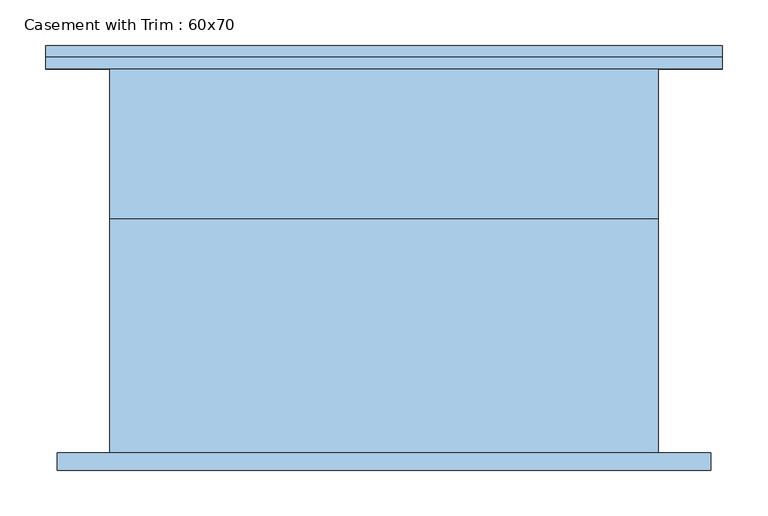
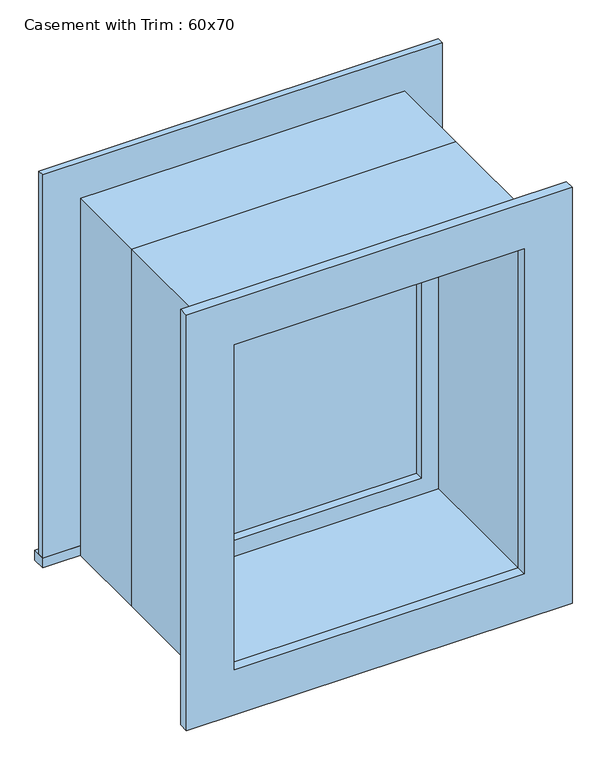
"""IFC4 building model written with IfcOpenShell, lengths in millimetres: window geometry, Casement with Trim : 60x70."""

from ifc_helpers import new_model, si_unit, frame, origin, place, context, project, spatial, polyline, outline, extrude, source, transform, mapped, element, save


def casement_with_trim_60x70_70592014(model_context):
    return source(origin(), model_context, "Body", "SweptSolid", [
        extrude(outline(polyline([(-369.85, 235.4), (369.85, 235.4), (369.85, 210.0), (-369.85, 210.0), (-369.85, 235.4)])), frame((0.0, 0.0, 914.4), z_axis=(0.0, 0.0, 1.0), x_axis=(1.0, 0.0, 0.0)), (0.0, 0.0, 1.0), 19.05),
        extrude(outline(polyline([(1595.35, -280.95), (1595.35, 280.95), (933.45, 280.95), (933.45, 369.85), (1684.25, 369.85), (1684.25, -369.85), (933.45, -369.85), (933.45, -280.95), (1595.35, -280.95)])), frame((0.0, 210.0, 0.0), z_axis=(0.0, 1.0, 0.0), x_axis=(0.0, 0.0, 1.0)), (0.0, 0.0, 1.0), 12.7),
        extrude(outline(polyline([(1671.55, 357.15), (1671.55, -357.15), (857.25, -357.15), (857.25, 357.15), (1671.55, 357.15)]), holes=[polyline([(1582.65, 268.25), (946.15, 268.25), (946.15, -268.25), (1582.65, -268.25), (1582.65, 268.25)])]), frame((0.0, -229.05, 0.0), z_axis=(0.0, 1.0, 0.0), x_axis=(0.0, 0.0, 1.0)), (0.0, 0.0, 1.0), 19.05),
        extrude(outline(polyline([(236.5, 61.425), (-236.5, 61.425), (-236.5, 74.125), (236.5, 74.125), (236.5, 61.425)])), frame((0.0, 0.0, 977.9), z_axis=(0.0, 0.0, 1.0), x_axis=(1.0, 0.0, 0.0)), (0.0, 0.0, 1.0), 573.0),
        extrude(outline(polyline([(1595.35, -280.95), (933.45, -280.95), (933.45, 280.95), (1595.35, 280.95), (1595.35, -280.95)]), holes=[polyline([(1550.9, -236.5), (1550.9, 236.5), (977.9, 236.5), (977.9, -236.5), (1550.9, -236.5)])]), frame((0.0, 45.55, 0.0), z_axis=(0.0, 1.0, 0.0), x_axis=(0.0, 0.0, 1.0)), (0.0, 0.0, 1.0), 44.45),
        extrude(outline(polyline([(1614.4, -300.0), (914.4, -300.0), (914.4, 300.0), (1614.4, 300.0), (1614.4, -300.0)]), holes=[polyline([(1582.65, -268.25), (1582.65, 268.25), (946.15, 268.25), (946.15, -268.25), (1582.65, -268.25)])]), frame((0.0, -210.0, 0.0), z_axis=(0.0, 1.0, 0.0), x_axis=(0.0, 0.0, 1.0)), (0.0, 0.0, 1.0), 255.55),
        extrude(outline(polyline([(1614.4, 300.0), (1614.4, -300.0), (914.4, -300.0), (914.4, 300.0), (1614.4, 300.0)]), holes=[polyline([(1595.35, 280.95), (933.45, 280.95), (933.45, -280.95), (1595.35, -280.95), (1595.35, 280.95)])]), frame((0.0, 45.55, 0.0), z_axis=(0.0, 1.0, 0.0), x_axis=(0.0, 0.0, 1.0)), (0.0, 0.0, 1.0), 164.45),
    ])


if __name__ == "__main__":
    model = new_model("IFC4")
    model_context = context("Model", 3, world=origin())
    ifc_project = project(units=[si_unit("LENGTHUNIT", "METRE", prefix="MILLI")], contexts=[model_context])
    site = spatial("IfcSite", under=ifc_project)
    building = spatial("IfcBuilding", under=site)
    placement = place(None, origin())
    casement_with_trim_60x70_shape = casement_with_trim_60x70_70592014(model_context)
    element("IfcWindow", 1, ObjectType="Casement with Trim : 60x70", at=placement, inside=building, context=model_context, shape_type="MappedRepresentation", body=[
        mapped(casement_with_trim_60x70_shape, transform((0.0, 0.0, 0.0), x_axis=(1.0, 0.0, 0.0), y_axis=(0.0, 1.0, 0.0), z_axis=(0.0, 0.0, 1.0))),
    ])
    save(model, "model.ifc")
